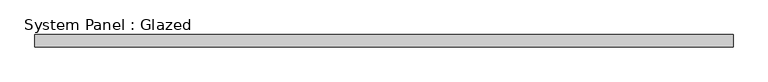
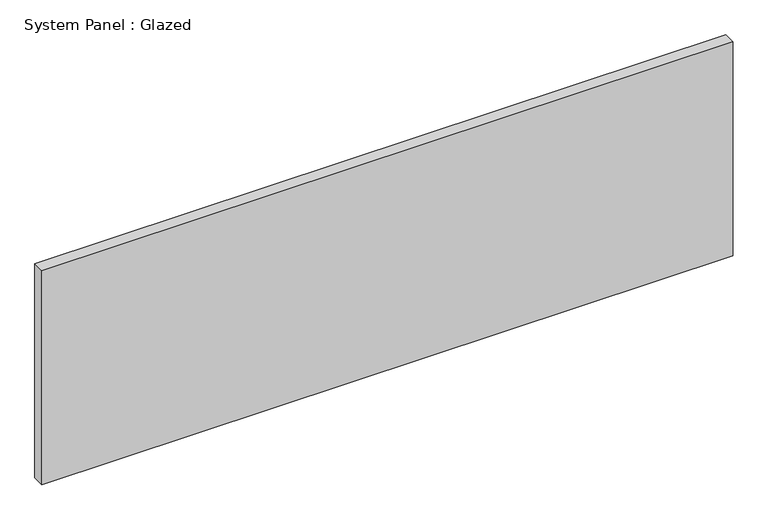
"""IFC4 building model written with IfcOpenShell, lengths in millimetres: plate geometry, System Panel : Glazed."""

from ifc_helpers import new_model, si_unit, origin, origin_with_axes, place, context, project, spatial, polyline, outline, extrude, source, transform, mapped, element, save


def system_panel_glazed_0e55beb6(model_context):
    return source(origin(), model_context, "Body", "SweptSolid", [
        extrude(outline(polyline([(727.075, -12.7), (-727.075, -12.7), (-727.075, 12.7), (727.075, 12.7), (727.075, -12.7)])), origin_with_axes(), (0.0, 0.0, 1.0), 476.25),
    ])


if __name__ == "__main__":
    model = new_model("IFC4")
    model_context = context("Model", 3, world=origin())
    ifc_project = project(units=[si_unit("LENGTHUNIT", "METRE", prefix="MILLI")], contexts=[model_context])
    site = spatial("IfcSite", under=ifc_project)
    building = spatial("IfcBuilding", under=site)
    placement = place(None, origin())
    system_panel_glazed_shape = system_panel_glazed_0e55beb6(model_context)
    element("IfcPlate", 1, ObjectType="System Panel : Glazed", at=placement, inside=building, context=model_context, shape_type="MappedRepresentation", body=[
        mapped(system_panel_glazed_shape, transform((0.0, 0.0, 0.0), x_axis=(1.0, 0.0, 0.0), y_axis=(0.0, 1.0, 0.0), z_axis=(0.0, 0.0, 1.0))),
    ])
    save(model, "model.ifc")
